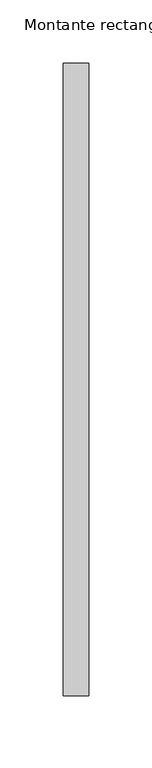
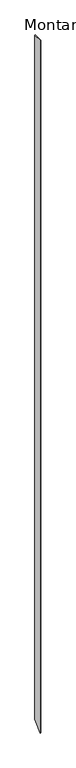
"""IFC4 building model written with IfcOpenShell, lengths in millimetres: member geometry, Montante rectangular."""

from ifc_helpers import new_model, si_unit, frame, origin, place, context, project, spatial, polyline, outline, extrude, source, transform, mapped, element, save


def montante_rectangular_03b787e5(model_context):
    return source(origin(), model_context, "Body", "SweptSolid", [
        extrude(outline(polyline([(-250.0, 0.0), (250.0, 0.0), (250.0, -39262.7210549), (-250.0, -39762.7210549), (-250.0, 0.0)])), frame((-20.0, 0.0, 0.0), z_axis=(1.0, 0.0, 0.0), x_axis=(0.0, 1.0, 0.0)), (0.0, 0.0, 1.0), 20.0),
    ])


if __name__ == "__main__":
    model = new_model("IFC4")
    model_context = context("Model", 3, world=origin())
    ifc_project = project(units=[si_unit("LENGTHUNIT", "METRE", prefix="MILLI")], contexts=[model_context])
    site = spatial("IfcSite", under=ifc_project)
    building = spatial("IfcBuilding", under=site)
    placement = place(None, origin())
    montante_rectangular_shape = montante_rectangular_03b787e5(model_context)
    element("IfcMember", 1, ObjectType="Montante rectangular", at=placement, inside=building, context=model_context, shape_type="MappedRepresentation", body=[
        mapped(montante_rectangular_shape, transform((0.0, 0.0, 0.0), x_axis=(1.0, 0.0, 0.0), y_axis=(0.0, 1.0, 0.0), z_axis=(0.0, 0.0, 1.0))),
    ])
    save(model, "model.ifc")
